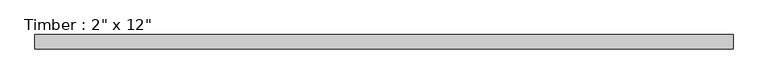
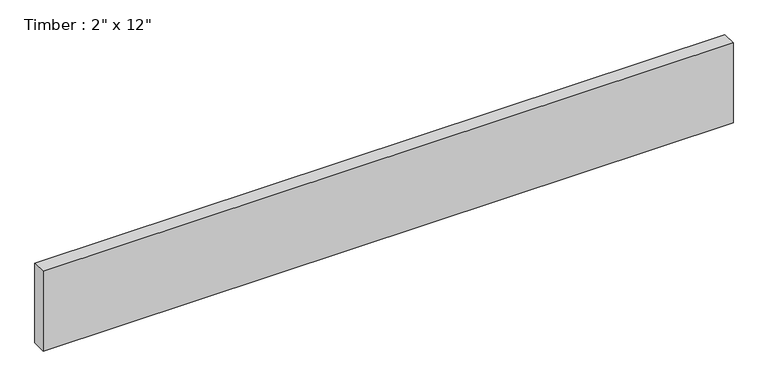
"""IFC4 building model written with IfcOpenShell, lengths in millimetres: beam geometry."""

from ifc_helpers import new_model, si_unit, frame, origin, place, context, project, spatial, polyline, outline, extrude, source, transform, mapped, element, save


def beam_1243fca7(model_context):
    return source(origin(), model_context, "Body", "SweptSolid", [
        extrude(outline(polyline([(1236.9673279, 25.4), (1236.9673279, -25.4), (-1263.7197884, -25.4), (-1263.7197884, 25.4), (1236.9673279, 25.4)])), frame((0.0, 0.0, -152.4), z_axis=(0.0, 0.0, 1.0), x_axis=(1.0, 0.0, 0.0)), (0.0, 0.0, 1.0), 304.8),
    ])


if __name__ == "__main__":
    model = new_model("IFC4")
    model_context = context("Model", 3, world=origin())
    ifc_project = project(units=[si_unit("LENGTHUNIT", "METRE", prefix="MILLI")], contexts=[model_context])
    site = spatial("IfcSite", under=ifc_project)
    building = spatial("IfcBuilding", under=site)
    placement = place(None, origin())
    beam_shape = beam_1243fca7(model_context)
    element("IfcBeam", 1, ObjectType="Timber : 2\" x 12\"", at=placement, inside=building, context=model_context, shape_type="MappedRepresentation", body=[
        mapped(beam_shape, transform((0.0, 0.0, 0.0), x_axis=(1.0, 0.0, 0.0), y_axis=(0.0, 1.0, 0.0), z_axis=(0.0, 0.0, 1.0))),
    ])
    save(model, "model.ifc")
